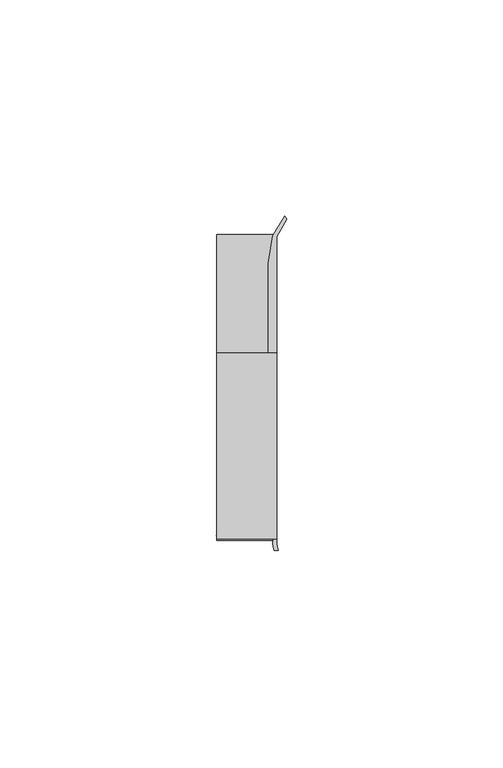
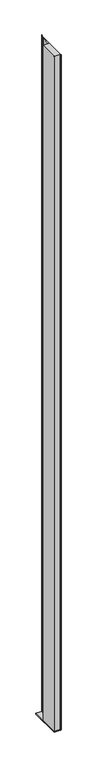
"""IFC4 building model written with IfcOpenShell, lengths in millimetres: furniture geometry."""

from ifc_helpers import new_model, si_unit, point, frame, frame_2d, origin, place, context, project, spatial, polyline, circle_curve, trimmed, segment, composite_curve, outline, extrude, source, transform, mapped, element, save


def furniture_6cb7363a(model_context):
    return source(origin(), model_context, "Body", "SweptSolid", [
        extrude(outline(polyline([(31.9660873, 18.9594777), (31.9660873, -24.0995273), (18.0754623, -24.0995273), (18.0754623, 18.9594777), (31.9660873, 18.9594777)])), frame((0.0, 0.0, 505.5132424), z_axis=(0.0, 0.0, 1.0), x_axis=(1.0, 0.0, 0.0)), (0.0, 0.0, 1.0), 1614.0456376),
        extrude(outline(polyline([(18.0754623, -24.0995273), (18.0754623, 46.6824219), (31.9660873, 46.6824219), (31.9660873, -24.0995273), (18.0754623, -24.0995273)])), frame((0.0, 0.0, 502.98096), z_axis=(0.0, 0.0, 1.0), x_axis=(1.0, 0.0, 0.0)), (0.0, 0.0, 1.0), 2.5322824),
        extrude(outline(composite_curve([segment(polyline([(33.8779838, 50.6802202), (34.2963358, 49.8958113), (31.9660873, 45.8886719), (31.9660873, -25.0252959)]), True, "CONTINUOUS"), segment(trimmed(circle_curve(frame_2d((36.5370848, -24.9306779)), 4.5719767), [point((31.9660873, -25.0252959))], [point((32.3362111, -26.7350146))], True, "CARTESIAN"), True, "CONTINUOUS"), segment(polyline([(32.3362111, -26.7350146), (31.3598061, -26.7312177)]), True, "CONTINUOUS"), segment(trimmed(circle_curve(frame_2d((38.1067431, -24.7767162)), 7.0243316), [point((31.3598061, -26.7312177))], [point((31.0897622, -25.0979846))], False, "CARTESIAN"), True, "CONTINUOUS"), segment(polyline([(31.0897622, -25.0979846), (31.204088, -24.0995273), (18.7580885, -24.0995273), (17.9586029, -23.2998418), (31.2224462, -23.2998418), (31.2224462, 18.9594777), (29.9783377, 18.9594777), (29.9783377, 39.6814262), (31.1100649, 46.0995711), (33.8779838, 50.6802202)]), True, "CONTINUOUS")], self_intersect=False)), frame((0.0, 0.0, 505.5132424), z_axis=(0.0, 0.0, 1.0), x_axis=(1.0, 0.0, 0.0)), (0.0, 0.0, 1.0), 1614.0456376),
    ])


if __name__ == "__main__":
    model = new_model("IFC4")
    model_context = context("Model", 3, world=origin())
    ifc_project = project(units=[si_unit("LENGTHUNIT", "METRE", prefix="MILLI")], contexts=[model_context])
    site = spatial("IfcSite", under=ifc_project)
    building = spatial("IfcBuilding", under=site)
    placement = place(None, origin())
    furniture_shape = furniture_6cb7363a(model_context)
    element("IfcFurniture", 1, at=placement, inside=building, context=model_context, shape_type="MappedRepresentation", body=[
        mapped(furniture_shape, transform((0.0, 0.0, 0.0), x_axis=(1.0, 0.0, 0.0), y_axis=(0.0, 1.0, 0.0), z_axis=(0.0, 0.0, 1.0))),
    ])
    save(model, "model.ifc")
